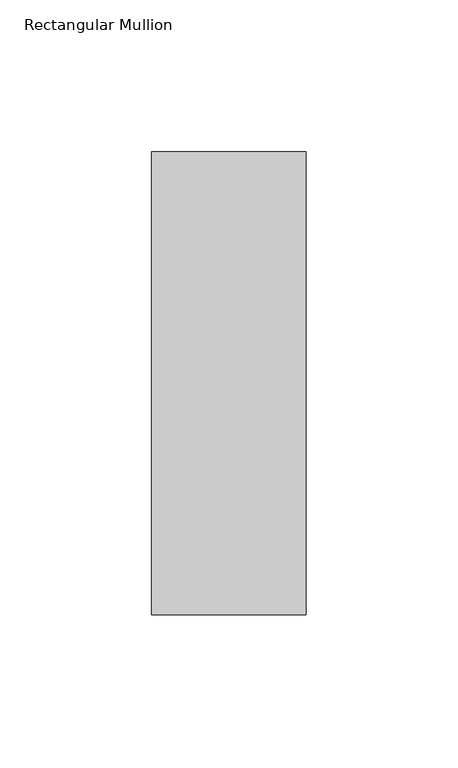
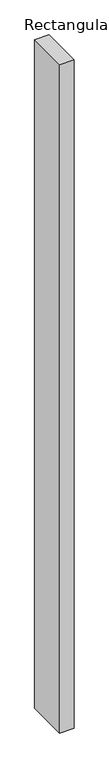
"""IFC4 building model written with IfcOpenShell, lengths in millimetres: member geometry, Rectangular Mullion."""

from ifc_helpers import new_model, si_unit, frame, origin, place, context, project, spatial, polyline, outline, extrude, source, transform, mapped, element, save


def rectangular_mullion_b4b85072(model_context):
    return source(origin(), model_context, "Body", "SweptSolid", [
        extrude(outline(polyline([(-50.8, -26.19375), (-50.8, 126.20625), (0.0, 126.20625), (0.0, -26.19375), (-50.8, -26.19375)])), frame((0.0, 0.0, -2489.2), z_axis=(0.0, 0.0, 1.0), x_axis=(1.0, 0.0, 0.0)), (0.0, 0.0, 1.0), 2489.2),
    ])


if __name__ == "__main__":
    model = new_model("IFC4")
    model_context = context("Model", 3, world=origin())
    ifc_project = project(units=[si_unit("LENGTHUNIT", "METRE", prefix="MILLI")], contexts=[model_context])
    site = spatial("IfcSite", under=ifc_project)
    building = spatial("IfcBuilding", under=site)
    placement = place(None, origin())
    rectangular_mullion_shape = rectangular_mullion_b4b85072(model_context)
    element("IfcMember", 1, ObjectType="Rectangular Mullion", at=placement, inside=building, context=model_context, shape_type="MappedRepresentation", body=[
        mapped(rectangular_mullion_shape, transform((0.0, 0.0, 0.0), x_axis=(1.0, 0.0, 0.0), y_axis=(0.0, 1.0, 0.0), z_axis=(0.0, 0.0, 1.0))),
    ])
    save(model, "model.ifc")
